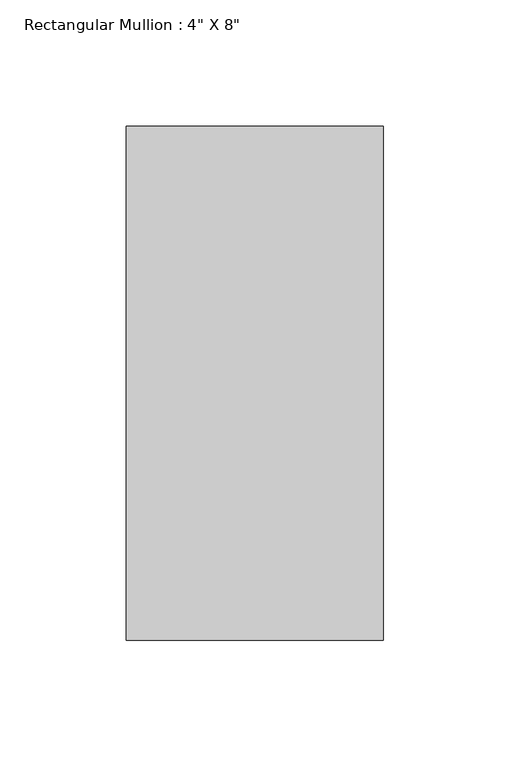
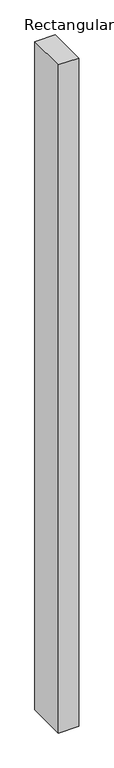
"""IFC4 building model written with IfcOpenShell, lengths in millimetres: member geometry."""

from ifc_helpers import new_model, si_unit, frame, origin, place, context, project, spatial, polyline, outline, extrude, source, transform, mapped, element, save


def member_a00810be(model_context):
    return source(origin(), model_context, "Body", "SweptSolid", [
        extrude(outline(polyline([(0.0, 63.5), (0.0, -139.7), (-101.6, -139.7), (-101.6, 63.5), (0.0, 63.5)])), frame((0.0, 0.0, -3530.6), z_axis=(0.0, 0.0, 1.0), x_axis=(1.0, 0.0, 0.0)), (0.0, 0.0, 1.0), 3530.6),
    ])


if __name__ == "__main__":
    model = new_model("IFC4")
    model_context = context("Model", 3, world=origin())
    ifc_project = project(units=[si_unit("LENGTHUNIT", "METRE", prefix="MILLI")], contexts=[model_context])
    site = spatial("IfcSite", under=ifc_project)
    building = spatial("IfcBuilding", under=site)
    placement = place(None, origin())
    member_shape = member_a00810be(model_context)
    element("IfcMember", 1, ObjectType="Rectangular Mullion : 4\" X 8\"", at=placement, inside=building, context=model_context, shape_type="MappedRepresentation", body=[
        mapped(member_shape, transform((0.0, 0.0, 0.0), x_axis=(1.0, 0.0, 0.0), y_axis=(0.0, 1.0, 0.0), z_axis=(0.0, 0.0, 1.0))),
    ])
    save(model, "model.ifc")
